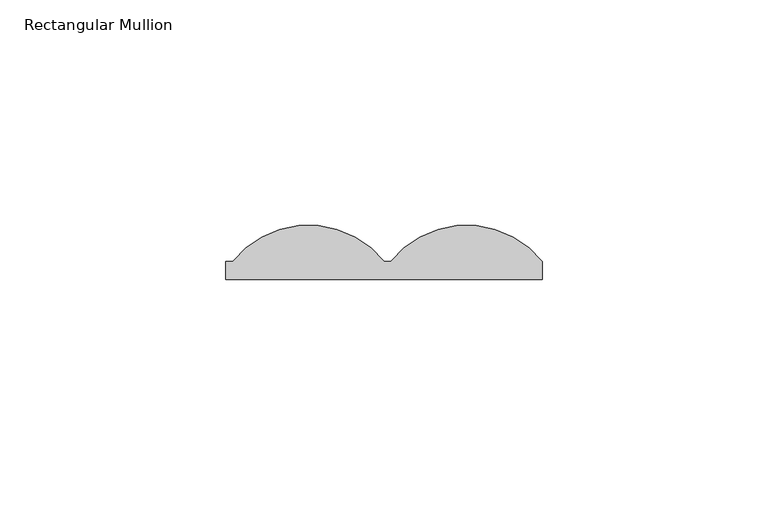
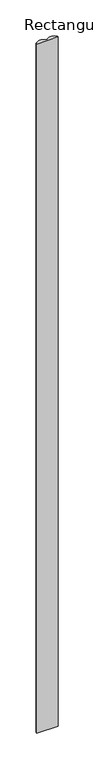
"""IFC4 building model written with IfcOpenShell, lengths in millimetres: member geometry, Rectangular Mullion."""

from ifc_helpers import new_model, si_unit, point, frame, frame_2d, origin, place, context, project, spatial, polyline, circle_curve, trimmed, segment, composite_curve, outline, extrude, source, transform, mapped, element, save


def rectangular_mullion_535ad462(model_context):
    return source(origin(), model_context, "Body", "SweptSolid", [
        extrude(outline(composite_curve([segment(polyline([(0.0, 3.9994695), (1.532743, 3.9994695)]), True, "CONTINUOUS"), segment(trimmed(circle_curve(frame_2d((18.2663715, -9.5)), 21.5), [point((1.532743, 3.9994695))], [point((35.0, 3.9994695))], False, "CARTESIAN"), True, "CONTINUOUS"), segment(polyline([(35.0, 3.9994695), (35.0, 0.0), (-35.0, 0.0), (-35.0, 3.9994695), (-33.467257, 3.9994695)]), True, "CONTINUOUS"), segment(trimmed(circle_curve(frame_2d((-16.7336285, -9.5)), 21.5), [point((-33.467257, 3.9994695))], [point((0.0, 3.9994695))], False, "CARTESIAN"), True, "CONTINUOUS")], self_intersect=False)), frame((0.0, 0.0, -2400.0), z_axis=(0.0, 0.0, 1.0), x_axis=(1.0, 0.0, 0.0)), (0.0, 0.0, 1.0), 2400.0),
    ])


if __name__ == "__main__":
    model = new_model("IFC4")
    model_context = context("Model", 3, world=origin())
    ifc_project = project(units=[si_unit("LENGTHUNIT", "METRE", prefix="MILLI")], contexts=[model_context])
    site = spatial("IfcSite", under=ifc_project)
    building = spatial("IfcBuilding", under=site)
    placement = place(None, origin())
    rectangular_mullion_shape = rectangular_mullion_535ad462(model_context)
    element("IfcMember", 1, ObjectType="Rectangular Mullion", at=placement, inside=building, context=model_context, shape_type="MappedRepresentation", body=[
        mapped(rectangular_mullion_shape, transform((0.0, 0.0, 0.0), x_axis=(1.0, 0.0, 0.0), y_axis=(0.0, 1.0, 0.0), z_axis=(0.0, 0.0, 1.0))),
    ])
    save(model, "model.ifc")
